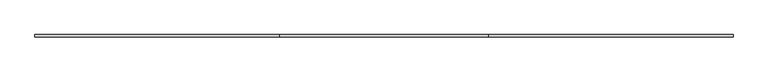
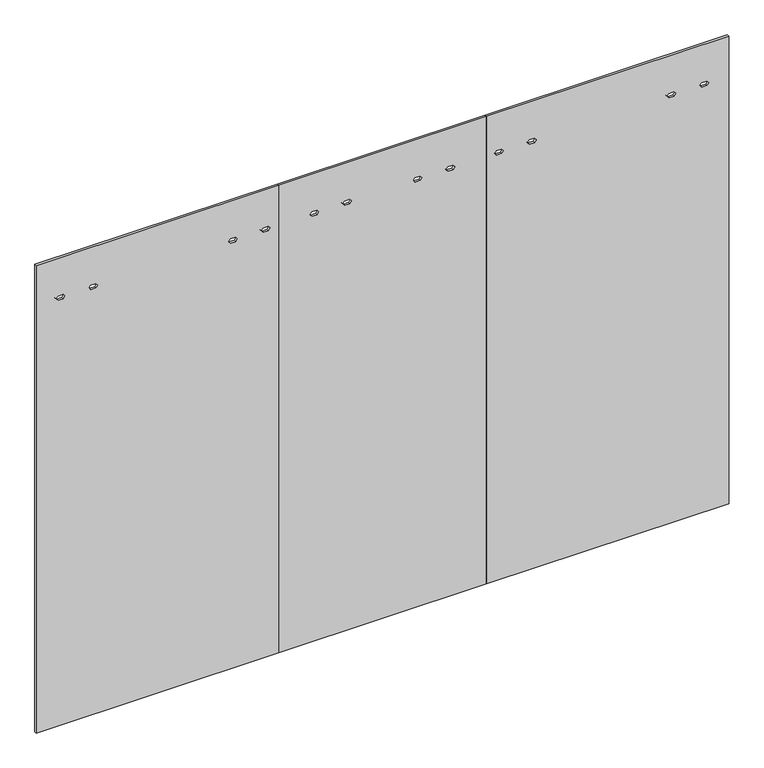
"""IFC4 building model written with IfcOpenShell, lengths in millimetres: furniture geometry."""

import ifcopenshell
import ifcopenshell.guid

model = None  # the IFC model being written
_history = None  # IfcOwnerHistory: only IFC2X3 demands one
_inside = {}  # id of a spatial element -> (the spatial element, [elements in it])
_under = {}  # id of a project, library or spatial element -> (it, [spatial elements below it])
_declared = {}  # id of a project -> (the project, [libraries it declares])
_typed = {}  # id of a type object -> (the type object, [elements of that type])
_made_of = {}  # id of a material, layer set ... -> (it, [elements and type objects made of it])


def new_model(schema):
    """Start an empty IFC model of exactly this schema.

    Asked for "IFC4X3", IfcOpenShell would pick the latest addendum, in which some entities
    have other attributes; the version numbers below select the first issue.
    IFC2X3 requires an IfcOwnerHistory on every rooted entity: one is made here for all.
    """
    global model, _history
    if schema == "IFC4X3":
        model = ifcopenshell.file(schema_version=(4, 3, 0, 0))
    else:
        model = ifcopenshell.file(schema=schema)
    _inside.clear()
    _under.clear()
    _declared.clear()
    _typed.clear()
    _made_of.clear()
    _history = None
    if model.schema == "IFC2X3":
        org = make("IfcOrganization", Name="unknown")
        user = make(
            "IfcPersonAndOrganization",
            ThePerson=make("IfcPerson", FamilyName="unknown"),
            TheOrganization=org,
        )
        app = make(
            "IfcApplication",
            ApplicationDeveloper=org,
            Version="unknown",
            ApplicationFullName="unknown",
            ApplicationIdentifier="unknown",
        )
        _history = make(
            "IfcOwnerHistory",
            OwningUser=user,
            OwningApplication=app,
            ChangeAction="ADDED",
            CreationDate=0,
        )
    return model


def make(cls, **values):
    """One entity of the class cls with the attributes given. An attribute that is None is left unset."""
    return model.create_entity(
        cls, **{name: value for name, value in values.items() if value is not None}
    )


def rooted(cls, **values):
    """An entity with a GlobalId (a new one), such as an element, a storey or a relation."""
    return make(cls, GlobalId=ifcopenshell.guid.new(), OwnerHistory=_history, **values)


def si_unit(unit_type, name, prefix=None):
    """IfcSIUnit, for example si_unit("LENGTHUNIT", "METRE", prefix="MILLI")."""
    return make("IfcSIUnit", UnitType=unit_type, Prefix=prefix, Name=name)


def assignment(units):
    """IfcUnitAssignment: the units of a project."""
    return None if units is None else make("IfcUnitAssignment", Units=units)


def point(xyz):
    """IfcCartesianPoint."""
    return None if xyz is None else make("IfcCartesianPoint", Coordinates=xyz)


def direction(xyz):
    """IfcDirection."""
    return None if xyz is None else make("IfcDirection", DirectionRatios=xyz)


def frame(location, z_axis=None, x_axis=None):
    """IfcAxis2Placement3D, a coordinate frame: its origin and axes. An axis left out is left unset."""
    return make(
        "IfcAxis2Placement3D",
        Location=point(location),
        Axis=direction(z_axis),
        RefDirection=direction(x_axis),
    )


def origin():
    """The frame at (0, 0, 0) with its axes left unset."""
    return frame((0.0, 0.0, 0.0))


def place(relative_to, where):
    """IfcLocalPlacement: puts the frame where relative to a parent placement (None: the world)."""
    return make(
        "IfcLocalPlacement", PlacementRelTo=relative_to, RelativePlacement=where
    )


def context(
    kind, dimensions, precision=None, world=None, true_north=None, identifier=None
):
    """IfcGeometricRepresentationContext, for example the 3D "Model" context."""
    return make(
        "IfcGeometricRepresentationContext",
        ContextIdentifier=identifier,
        ContextType=kind,
        CoordinateSpaceDimension=dimensions,
        Precision=precision,
        WorldCoordinateSystem=world,
        TrueNorth=true_north,
    )


def project(units=None, contexts=None):
    """IfcProject with its units and contexts."""
    return rooted(
        "IfcProject",
        Name="project",
        RepresentationContexts=contexts,
        UnitsInContext=assignment(units),
    )


def spatial(cls, under=None, at=None, **own):
    """A site, building, storey or space (cls), placed at a placement, below another one or the project."""
    s = rooted(cls, ObjectPlacement=at, **own)
    if under is not None:
        _under.setdefault(under.id(), (under, []))[1].append(s)
    return s


def polyline(points):
    """IfcPolyline through the points."""
    return make("IfcPolyline", Points=[point(p) for p in points])


def outline(outer, holes=None, kind="AREA"):
    """IfcArbitraryClosedProfileDef: a profile drawn as a closed curve; with holes, ...WithVoids."""
    if holes is None:
        return make("IfcArbitraryClosedProfileDef", ProfileType=kind, OuterCurve=outer)
    return make(
        "IfcArbitraryProfileDefWithVoids",
        ProfileType=kind,
        OuterCurve=outer,
        InnerCurves=holes,
    )


def extrude(swept, where, along, depth):
    """IfcExtrudedAreaSolid: the profile swept, set in the frame where, extruded along a direction by depth."""
    return make(
        "IfcExtrudedAreaSolid",
        SweptArea=swept,
        Position=where,
        ExtrudedDirection=direction(along),
        Depth=depth,
    )


def shape(context_of_items, identifier, shape_type, items):
    """IfcShapeRepresentation: the items that make up one representation, for example the "Body"."""
    return make(
        "IfcShapeRepresentation",
        ContextOfItems=context_of_items,
        RepresentationIdentifier=identifier,
        RepresentationType=shape_type,
        Items=items,
    )


def source(mapping_origin, context_of_items, identifier, shape_type, items):
    """IfcRepresentationMap: a shape defined once, which mapped items show again and again."""
    return make(
        "IfcRepresentationMap",
        MappingOrigin=mapping_origin,
        MappedRepresentation=shape(context_of_items, identifier, shape_type, items),
    )


def transform(
    local_origin,
    x_axis=None,
    y_axis=None,
    z_axis=None,
    scale=None,
    scale2=None,
    scale3=None,
    uniform=True,
):
    """IfcCartesianTransformationOperator3D, or its non-uniform kind. x_axis, y_axis, z_axis: its Axis1, 2, 3."""
    if uniform:
        return make(
            "IfcCartesianTransformationOperator3D",
            Axis1=direction(x_axis),
            Axis2=direction(y_axis),
            LocalOrigin=point(local_origin),
            Scale=scale,
            Axis3=direction(z_axis),
        )
    return make(
        "IfcCartesianTransformationOperator3DnonUniform",
        Axis1=direction(x_axis),
        Axis2=direction(y_axis),
        LocalOrigin=point(local_origin),
        Scale=scale,
        Axis3=direction(z_axis),
        Scale2=scale2,
        Scale3=scale3,
    )


def mapped(mapping_source, mapping_target):
    """IfcMappedItem: shows the shape of a source again, moved by a transform."""
    return make(
        "IfcMappedItem", MappingSource=mapping_source, MappingTarget=mapping_target
    )


def made_of(thing, what):
    """Note that an element or type object is made of a material, layer set ...; save() writes the relation."""
    if what is not None:
        _made_of.setdefault(what.id(), (what, []))[1].append(thing)
    return thing


def element(
    cls,
    number,
    at=None,
    inside=None,
    cuts=None,
    type_object=None,
    material=None,
    context=None,
    identifier="Body",
    shape_type=None,
    held_by="IfcProductDefinitionShape",
    body=None,
    shapes=None,
    **own,
):
    """One element of the class cls, such as IfcWall. Its Tag is "e" and its number.

    at: its placement. inside: the storey or other place that contains it. cuts: it is an
    opening in that element (IfcRelVoidsElement). A single representation is given by context,
    identifier, shape_type and body (its items); several are given by shapes. held_by: the class
    of the entity that holds the representations. save() writes the other relations.
    """
    e = rooted(cls, Tag="e%d" % number, ObjectPlacement=at, **own)
    if body is not None:
        shapes = [shape(context, identifier, shape_type, body)]
    if shapes is not None:
        e.Representation = make(held_by, Representations=shapes)
    if inside is not None:
        _inside.setdefault(inside.id(), (inside, []))[1].append(e)
    if cuts is not None:
        rooted(
            "IfcRelVoidsElement", RelatingBuildingElement=cuts, RelatedOpeningElement=e
        )
    if type_object is not None:
        _typed.setdefault(type_object.id(), (type_object, []))[1].append(e)
    return made_of(e, material)


def aggregate(whole, parts):
    """IfcRelAggregates: a whole, such as a stair, and the parts it consists of."""
    return rooted("IfcRelAggregates", RelatingObject=whole, RelatedObjects=parts)


def save(model, path):
    """Write the relations noted so far, then the file.

    IfcRelAggregates (storeys below a building ...), IfcRelContainedInSpatialStructure (elements
    in a storey), IfcRelDefinesByType, IfcRelAssociatesMaterial and IfcRelDeclares: one each for
    every whole, place, type object, material and project.
    """
    for whole, parts in _under.values():
        aggregate(whole, parts)
    for where, things in _inside.values():
        rooted(
            "IfcRelContainedInSpatialStructure",
            RelatedElements=things,
            RelatingStructure=where,
        )
    for kind, things in _typed.values():
        rooted("IfcRelDefinesByType", RelatedObjects=things, RelatingType=kind)
    for what, things in _made_of.values():
        rooted("IfcRelAssociatesMaterial", RelatedObjects=things, RelatingMaterial=what)
    for by, libraries in _declared.values():
        rooted("IfcRelDeclares", RelatingContext=by, RelatedDefinitions=libraries)
    model.write(path)


def furniture_83598194(model_context):
    return source(origin(), model_context, "Body", "SweptSolid", [
        extrude(outline(polyline([(12.7, 0.0), (12.7, 1066.8), (2186.3010468, 1066.8), (2186.3010468, 0.0), (12.7, 0.0)]), holes=[polyline([(2001.1032968, 847.050017), (2011.0981968, 855.101817), (2011.0981968, 877.098217), (2001.1032968, 885.150017), (1991.1083968, 877.098217), (1991.1083968, 855.101817), (2001.1032968, 847.050017)]), polyline([(2001.1032968, 991.4700171), (2011.0981968, 999.5218171), (2011.0981968, 1021.5182171), (2001.1032968, 1029.5700171), (1991.1083968, 1021.5182171), (1991.1083968, 999.5218171), (2001.1032968, 991.4700171)]), polyline([(2001.1032968, 88.0299829), (2011.0981968, 96.0817829), (2011.0981968, 118.0781829), (2001.1032968, 126.1299829), (1991.1083968, 118.0781829), (1991.1083968, 96.0817829), (2001.1032968, 88.0299829)]), polyline([(2001.1032968, 232.449983), (2011.0981968, 240.501783), (2011.0981968, 262.498183), (2001.1032968, 270.549983), (1991.1083968, 262.498183), (1991.1083968, 240.501783), (2001.1032968, 232.449983)])]), frame((0.0, -4.7752, 0.0), z_axis=(0.0, 1.0, 0.0), x_axis=(0.0, 0.0, 1.0)), (0.0, 0.0, 1.0), 9.525),
        extrude(outline(polyline([(12.7, 1981.2), (12.7, 3048.0), (2186.3010468, 3048.0), (2186.3010468, 1981.2), (12.7, 1981.2)]), holes=[polyline([(2001.1032968, 2018.384988), (2011.0981968, 2026.436788), (2011.0981968, 2048.433188), (2001.1032968, 2056.484988), (1991.1083968, 2048.433188), (1991.1083968, 2026.436788), (2001.1032968, 2018.384988)]), polyline([(2001.1032968, 2162.8049882), (2011.0981968, 2170.8567882), (2011.0981968, 2192.8531882), (2001.1032968, 2200.9049882), (1991.1083968, 2192.8531882), (1991.1083968, 2170.8567882), (2001.1032968, 2162.8049882)]), polyline([(2001.1032968, 2777.450017), (2011.0981968, 2785.501817), (2011.0981968, 2807.498217), (2001.1032968, 2815.550017), (1991.1083968, 2807.498217), (1991.1083968, 2785.501817), (2001.1032968, 2777.450017)]), polyline([(2001.1032968, 2921.8700171), (2011.0981968, 2929.9218171), (2011.0981968, 2951.9182171), (2001.1032968, 2959.9700171), (1991.1083968, 2951.9182171), (1991.1083968, 2929.9218171), (2001.1032968, 2921.8700171)])]), frame((0.0, -4.7752, 0.0), z_axis=(0.0, 1.0, 0.0), x_axis=(0.0, 0.0, 1.0)), (0.0, 0.0, 1.0), 9.525),
        extrude(outline(polyline([(12.7, 1066.8), (12.7, 1981.2), (2186.3010468, 1981.2), (2186.3010468, 1066.8), (12.7, 1066.8)]), holes=[polyline([(2001.1032968, 1205.584988), (2011.0981968, 1213.636788), (2011.0981968, 1235.633188), (2001.1032968, 1243.684988), (1991.1083968, 1235.633188), (1991.1083968, 1213.636788), (2001.1032968, 1205.584988)]), polyline([(2001.1032968, 1350.0049882), (2011.0981968, 1358.0567882), (2011.0981968, 1380.0531882), (2001.1032968, 1388.1049882), (1991.1083968, 1380.0531882), (1991.1083968, 1358.0567882), (2001.1032968, 1350.0049882)]), polyline([(2001.1032968, 1659.8950118), (2011.0981968, 1667.9468118), (2011.0981968, 1689.9432118), (2001.1032968, 1697.9950118), (1991.1083968, 1689.9432118), (1991.1083968, 1667.9468118), (2001.1032968, 1659.8950118)]), polyline([(2001.1032968, 1804.315012), (2011.0981968, 1812.366812), (2011.0981968, 1834.363212), (2001.1032968, 1842.415012), (1991.1083968, 1834.363212), (1991.1083968, 1812.366812), (2001.1032968, 1804.315012)])]), frame((0.0, -4.7752, 0.0), z_axis=(0.0, 1.0, 0.0), x_axis=(0.0, 0.0, 1.0)), (0.0, 0.0, 1.0), 9.525),
    ])


if __name__ == "__main__":
    model = new_model("IFC4")
    model_context = context("Model", 3, world=origin())
    ifc_project = project(units=[si_unit("LENGTHUNIT", "METRE", prefix="MILLI")], contexts=[model_context])
    site = spatial("IfcSite", under=ifc_project)
    building = spatial("IfcBuilding", under=site)
    placement = place(None, origin())
    furniture_shape = furniture_83598194(model_context)
    element("IfcFurniture", 1, at=placement, inside=building, context=model_context, shape_type="MappedRepresentation", body=[
        mapped(furniture_shape, transform((0.0, 0.0, 0.0), x_axis=(1.0, 0.0, 0.0), y_axis=(0.0, 1.0, 0.0), z_axis=(0.0, 0.0, 1.0))),
    ])
    save(model, "model.ifc")
